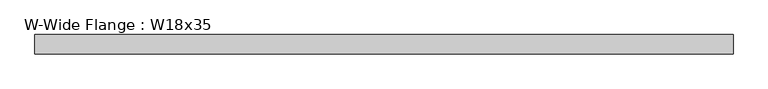
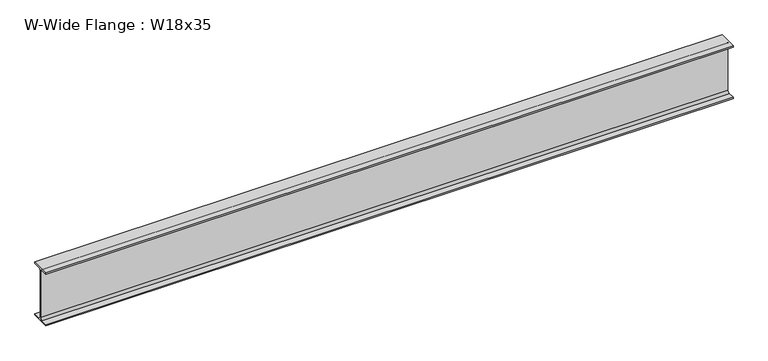
"""IFC4 building model written with IfcOpenShell, lengths in millimetres: beam geometry, W-Wide Flange : W18x35."""

from ifc_helpers import new_model, si_unit, point, frame, frame_2d, origin, place, context, project, spatial, polyline, circle_curve, trimmed, segment, composite_curve, outline, extrude, source, transform, mapped, element, save


def w_wide_flange_w18x35_db8ecad5(model_context):
    return source(origin(), model_context, "Body", "SweptSolid", [
        extrude(outline(composite_curve([segment(polyline([(76.2, -213.995), (76.2, -224.79), (-76.2, -224.79), (-76.2, -213.995), (-21.59, -213.995)]), True, "CONTINUOUS"), segment(trimmed(circle_curve(frame_2d((-21.59, -196.215)), 17.78), [point((-21.59, -213.995))], [point((-3.81, -196.215))], True, "CARTESIAN"), True, "CONTINUOUS"), segment(polyline([(-3.81, -196.215), (-3.81, 196.215)]), True, "CONTINUOUS"), segment(trimmed(circle_curve(frame_2d((-21.59, 196.215)), 17.78), [point((-3.81, 196.215))], [point((-21.59, 213.995))], True, "CARTESIAN"), True, "CONTINUOUS"), segment(polyline([(-21.59, 213.995), (-76.2, 213.995), (-76.2, 224.79), (76.2, 224.79), (76.2, 213.995), (21.59, 213.995)]), True, "CONTINUOUS"), segment(trimmed(circle_curve(frame_2d((21.59, 196.215)), 17.78), [point((21.59, 213.995))], [point((3.81, 196.215))], True, "CARTESIAN"), True, "CONTINUOUS"), segment(polyline([(3.81, 196.215), (3.81, -196.215)]), True, "CONTINUOUS"), segment(trimmed(circle_curve(frame_2d((21.59, -196.215)), 17.78), [point((3.81, -196.215))], [point((21.59, -213.995))], True, "CARTESIAN"), True, "CONTINUOUS"), segment(polyline([(21.59, -213.995), (76.2, -213.995)]), True, "CONTINUOUS")], self_intersect=False)), frame((-2705.221912, 0.0, 0.0), z_axis=(1.0, 0.0, 0.0), x_axis=(0.0, 1.0, 0.0)), (0.0, 0.0, 1.0), 5517.1480084),
    ])


if __name__ == "__main__":
    model = new_model("IFC4")
    model_context = context("Model", 3, world=origin())
    ifc_project = project(units=[si_unit("LENGTHUNIT", "METRE", prefix="MILLI")], contexts=[model_context])
    site = spatial("IfcSite", under=ifc_project)
    building = spatial("IfcBuilding", under=site)
    placement = place(None, origin())
    w_wide_flange_w18x35_shape = w_wide_flange_w18x35_db8ecad5(model_context)
    element("IfcBeam", 1, ObjectType="W-Wide Flange : W18x35", at=placement, inside=building, context=model_context, shape_type="MappedRepresentation", body=[
        mapped(w_wide_flange_w18x35_shape, transform((0.0, 0.0, 0.0), x_axis=(1.0, 0.0, 0.0), y_axis=(0.0, 1.0, 0.0), z_axis=(0.0, 0.0, 1.0))),
    ])
    save(model, "model.ifc")
